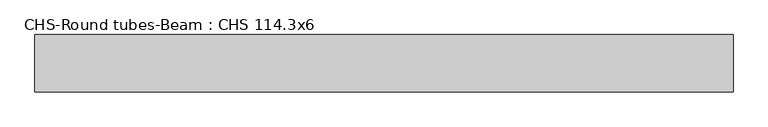
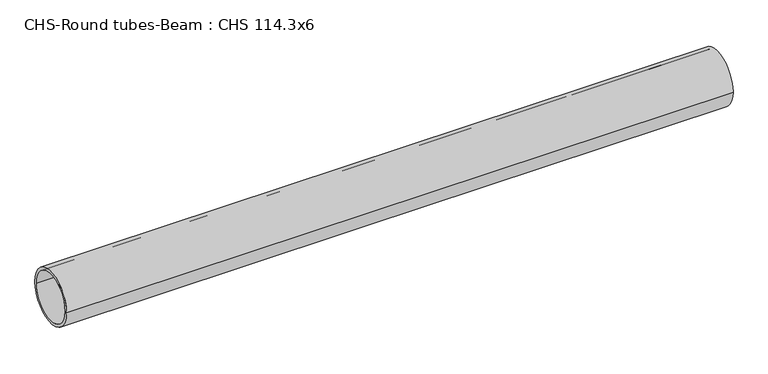
"""IFC4 building model written with IfcOpenShell, lengths in millimetres: beam geometry, CHS-Round tubes-Beam : CHS 114.3x6."""

from ifc_helpers import new_model, si_unit, point, frame, origin, origin_2d, place, context, project, spatial, circle_curve, trimmed, segment, composite_curve, outline, extrude, source, transform, mapped, element, save


def chs_round_tubes_beam_chs_114_3x6_e2d1070d(model_context):
    return source(origin(), model_context, "Body", "SweptSolid", [
        extrude(outline(composite_curve([segment(trimmed(circle_curve(origin_2d(), 57.15), [point((57.15, 0.0))], [point((-57.15, 0.0))], False, "CARTESIAN"), True, "CONTINUOUS"), segment(trimmed(circle_curve(origin_2d(), 57.15), [point((-57.15, 0.0))], [point((57.15, 0.0))], False, "CARTESIAN"), True, "CONTINUOUS")], self_intersect=False), holes=[composite_curve([segment(trimmed(circle_curve(origin_2d(), 51.15), [point((51.15, 0.0))], [point((-51.15, 0.0))], True, "CARTESIAN"), True, "CONTINUOUS"), segment(trimmed(circle_curve(origin_2d(), 51.15), [point((-51.15, 0.0))], [point((51.15, 0.0))], True, "CARTESIAN"), True, "CONTINUOUS")], self_intersect=False)]), frame((-773.2947293, 0.0, 0.0), z_axis=(1.0, 0.0, 0.0), x_axis=(0.0, 1.0, 0.0)), (0.0, 0.0, 1.0), 1394.5420212),
    ])


if __name__ == "__main__":
    model = new_model("IFC4")
    model_context = context("Model", 3, world=origin())
    ifc_project = project(units=[si_unit("LENGTHUNIT", "METRE", prefix="MILLI")], contexts=[model_context])
    site = spatial("IfcSite", under=ifc_project)
    building = spatial("IfcBuilding", under=site)
    placement = place(None, origin())
    chs_round_tubes_beam_chs_114_3x6_shape = chs_round_tubes_beam_chs_114_3x6_e2d1070d(model_context)
    element("IfcBeam", 1, ObjectType="CHS-Round tubes-Beam : CHS 114.3x6", at=placement, inside=building, context=model_context, shape_type="MappedRepresentation", body=[
        mapped(chs_round_tubes_beam_chs_114_3x6_shape, transform((0.0, 0.0, 0.0), x_axis=(1.0, 0.0, 0.0), y_axis=(0.0, 1.0, 0.0), z_axis=(0.0, 0.0, 1.0))),
    ])
    save(model, "model.ifc")
